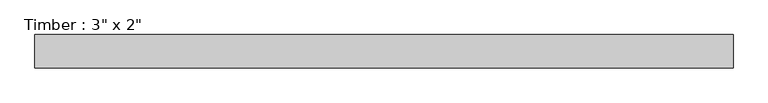
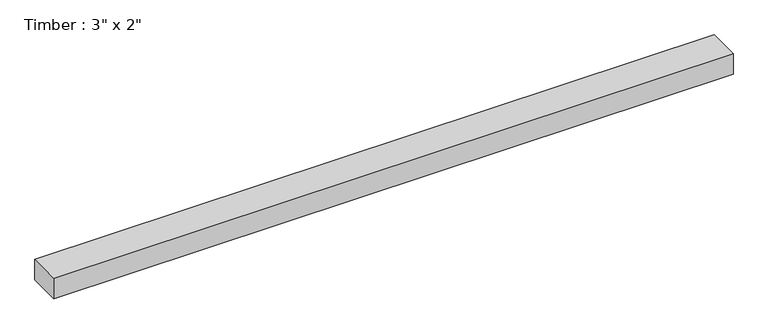
"""IFC4 building model written with IfcOpenShell, lengths in millimetres: beam geometry."""

from ifc_helpers import new_model, si_unit, frame, origin, place, context, project, spatial, polyline, outline, extrude, source, transform, mapped, element, save


def beam_6b2a540d(model_context):
    return source(origin(), model_context, "Body", "SweptSolid", [
        extrude(outline(polyline([(793.8960176, 38.1), (793.8960176, -38.1), (-793.8960176, -38.1), (-793.8960176, 38.1), (793.8960176, 38.1)])), frame((0.0, 0.0, -25.4), z_axis=(0.0, 0.0, 1.0), x_axis=(1.0, 0.0, 0.0)), (0.0, 0.0, 1.0), 50.8),
    ])


if __name__ == "__main__":
    model = new_model("IFC4")
    model_context = context("Model", 3, world=origin())
    ifc_project = project(units=[si_unit("LENGTHUNIT", "METRE", prefix="MILLI")], contexts=[model_context])
    site = spatial("IfcSite", under=ifc_project)
    building = spatial("IfcBuilding", under=site)
    placement = place(None, origin())
    beam_shape = beam_6b2a540d(model_context)
    element("IfcBeam", 1, ObjectType="Timber : 3\" x 2\"", at=placement, inside=building, context=model_context, shape_type="MappedRepresentation", body=[
        mapped(beam_shape, transform((0.0, 0.0, 0.0), x_axis=(1.0, 0.0, 0.0), y_axis=(0.0, 1.0, 0.0), z_axis=(0.0, 0.0, 1.0))),
    ])
    save(model, "model.ifc")
